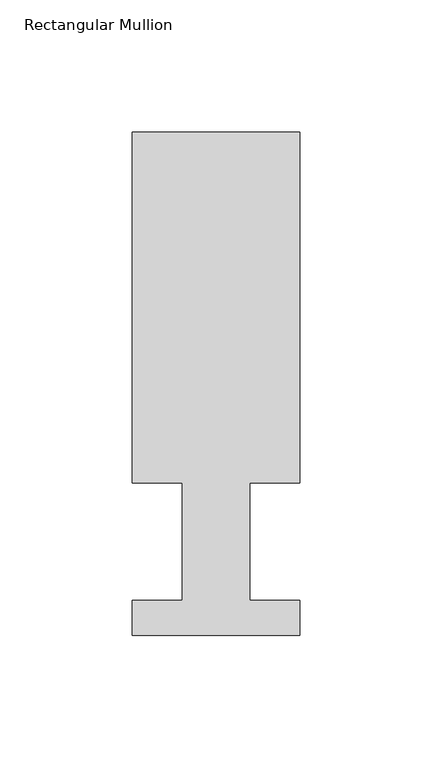
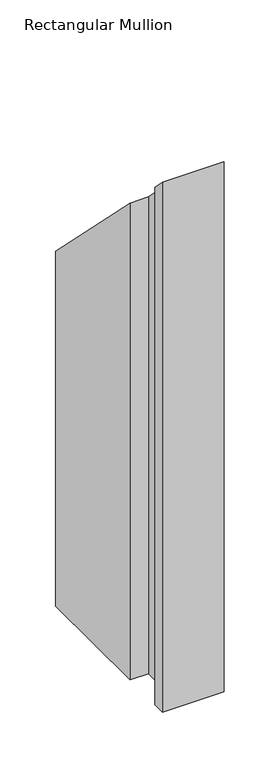
"""IFC4 building model written with IfcOpenShell, lengths in millimetres: member geometry, Rectangular Mullion."""

from ifc_helpers import new_model, si_unit, origin, place, context, project, spatial, faceted_brep, source, transform, mapped, element, save


def rectangular_mullion_65f42447(model_context):
    return source(origin(), model_context, "Body", "Brep", [
        faceted_brep([(-63.5, 190.5896938, -577.81825), (0.0, 190.5896938, -577.81825), (0.0, 57.6460937, -577.81825), (-19.0373, 57.6460937, -577.81825), (-19.0373, 13.1960938, -577.81825), (0.0, 13.1960938, -577.81825), (0.0, 0.0134938, -577.81825), (-63.5, 0.0134938, -577.81825), (-63.5, 13.1960938, -577.81825), (-44.45, 13.1960938, -577.81825), (-44.45, 57.6460937, -577.81825), (-63.5, 57.6460937, -577.81825), (-63.5, 57.6460937, -57.6460937), (-63.5, 190.5896938, -190.5896938), (-44.45, 57.6460937, -57.6460937), (-44.45, 13.1960938, -13.1960938), (-63.5, 13.1960938, -13.1960938), (-63.5, 0.0134938, -0.0134938), (0.0, 0.0134938, -0.0134938), (0.0, 13.1960938, -13.1960938), (-19.0373, 13.1960938, -13.1960938), (-19.0373, 57.6460937, -57.6460937), (0.0, 57.6460937, -57.6460937), (0.0, 190.5896938, -190.5896938)], [[[0, 1, 2, 3, 4, 5, 6, 7, 8, 9, 10, 11]], [[12, 13, 0, 11]], [[14, 12, 11, 10]], [[15, 14, 10, 9]], [[16, 15, 9, 8]], [[17, 16, 8, 7]], [[18, 17, 7, 6]], [[19, 18, 6, 5]], [[20, 19, 5, 4]], [[21, 20, 4, 3]], [[22, 21, 3, 2]], [[23, 22, 2, 1]], [[13, 23, 1, 0]], [[13, 12, 14, 15, 16, 17, 18, 19, 20, 21, 22, 23]]]),
    ])


if __name__ == "__main__":
    model = new_model("IFC4")
    model_context = context("Model", 3, world=origin())
    ifc_project = project(units=[si_unit("LENGTHUNIT", "METRE", prefix="MILLI")], contexts=[model_context])
    site = spatial("IfcSite", under=ifc_project)
    building = spatial("IfcBuilding", under=site)
    placement = place(None, origin())
    rectangular_mullion_shape = rectangular_mullion_65f42447(model_context)
    element("IfcMember", 1, ObjectType="Rectangular Mullion", at=placement, inside=building, context=model_context, shape_type="MappedRepresentation", body=[
        mapped(rectangular_mullion_shape, transform((0.0, 0.0, 0.0), x_axis=(1.0, 0.0, 0.0), y_axis=(0.0, 1.0, 0.0), z_axis=(0.0, 0.0, 1.0))),
    ])
    save(model, "model.ifc")
